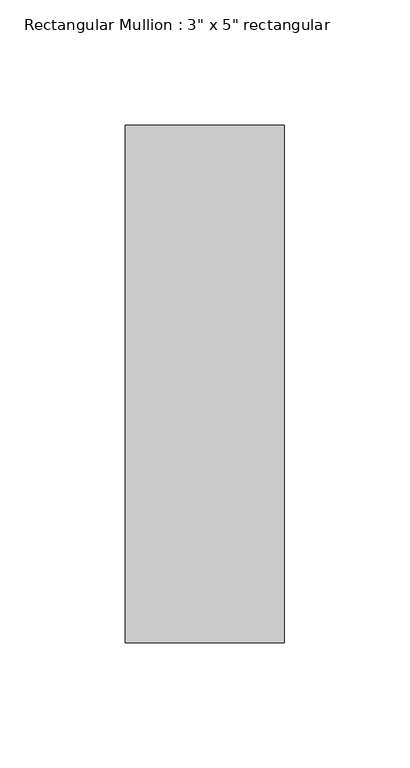
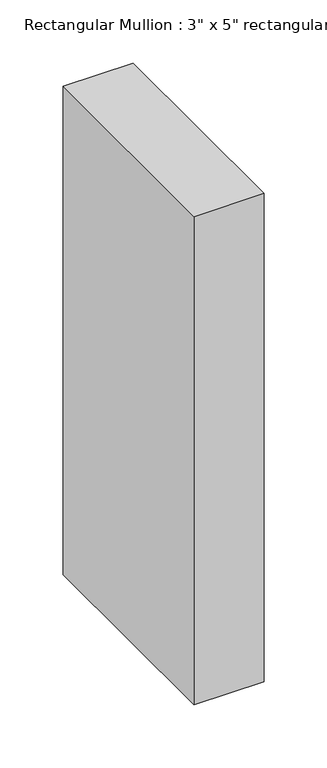
"""IFC4 building model written with IfcOpenShell, lengths in millimetres: member geometry."""

from ifc_helpers import new_model, si_unit, frame, origin, place, context, project, spatial, polyline, outline, extrude, source, transform, mapped, element, save


def member_fde0ba3b(model_context):
    return source(origin(), model_context, "Body", "SweptSolid", [
        extrude(outline(polyline([(31.75, 90.551), (31.75, -115.951), (-31.75, -115.951), (-31.75, 90.551), (31.75, 90.551)])), frame((0.0, 0.0, -469.9), z_axis=(0.0, 0.0, 1.0), x_axis=(1.0, 0.0, 0.0)), (0.0, 0.0, 1.0), 469.9),
    ])


if __name__ == "__main__":
    model = new_model("IFC4")
    model_context = context("Model", 3, world=origin())
    ifc_project = project(units=[si_unit("LENGTHUNIT", "METRE", prefix="MILLI")], contexts=[model_context])
    site = spatial("IfcSite", under=ifc_project)
    building = spatial("IfcBuilding", under=site)
    placement = place(None, origin())
    member_shape = member_fde0ba3b(model_context)
    element("IfcMember", 1, ObjectType="Rectangular Mullion : 3\" x 5\" rectangular", at=placement, inside=building, context=model_context, shape_type="MappedRepresentation", body=[
        mapped(member_shape, transform((0.0, 0.0, 0.0), x_axis=(1.0, 0.0, 0.0), y_axis=(0.0, 1.0, 0.0), z_axis=(0.0, 0.0, 1.0))),
    ])
    save(model, "model.ifc")
